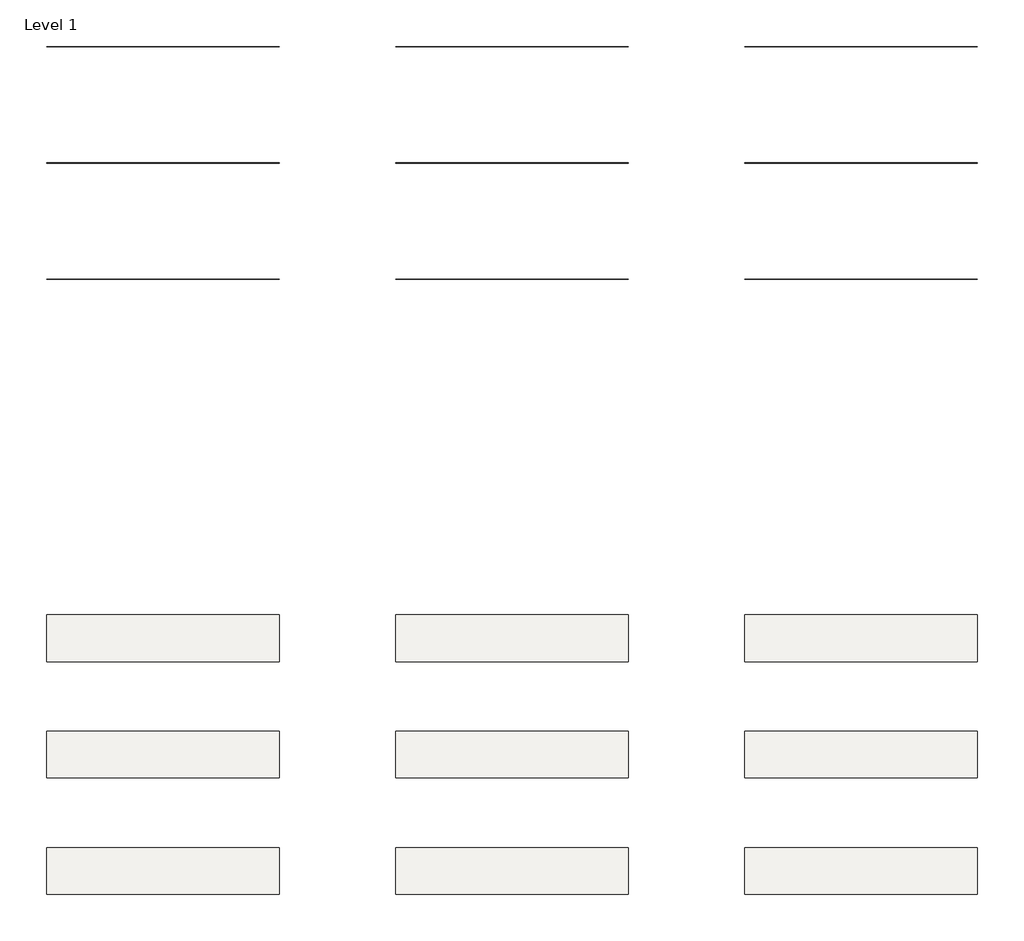
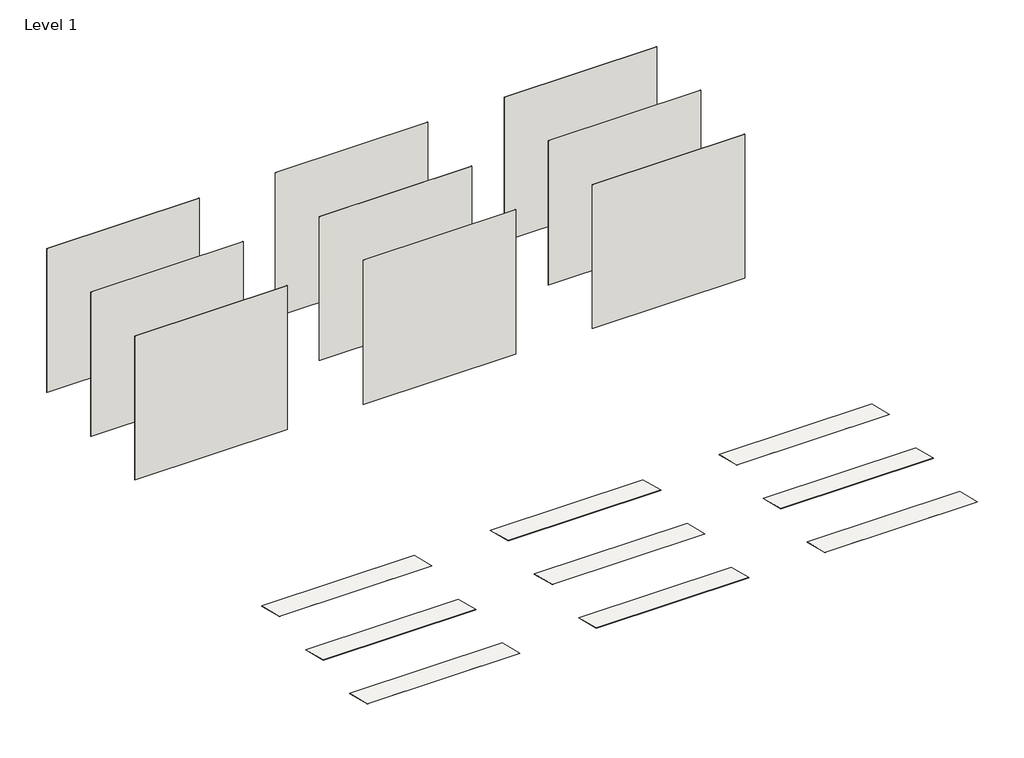
# One storey: 9 roofs, 9 walls.
"""IFC4 building model written with IfcOpenShell, lengths in millimetres."""

from ifc_helpers import new_model, si_unit, frame, origin, origin_with_axes, place, context, project, spatial, polyline, outline, extrude, element, save

model = new_model("IFC4")

# Units and contexts
model_context = context("Model", 3, world=origin())
ifc_project = project(units=[si_unit("LENGTHUNIT", "METRE", prefix="MILLI")], contexts=[model_context])

# Site, building, storey
site = spatial("IfcSite", under=ifc_project)
building = spatial("IfcBuilding", under=site)
storey = spatial("IfcBuildingStorey", under=building, Name="Level 1", Elevation=0.0)

# Roofs
placement = place(None, origin())
element("IfcRoof", 1, at=placement, inside=storey, context=model_context, shape_type="SweptSolid", body=[
    extrude(outline(polyline([(-4536.9218625, 155.6727151), (-3927.3218625, 3.2727151), (-3927.3218625, 0.0), (-4536.9218625, 152.4), (-4536.9218625, 155.6727151)])), frame((-1152.6695128, 0.0, 0.0), z_axis=(1.0, 0.0, 0.0), x_axis=(0.0, 1.0, 0.0)), (0.0, 0.0, 1.0), 3048.0),
])
element("IfcRoof", 2, at=placement, inside=storey, context=model_context, shape_type="SweptSolid", body=[
    extrude(outline(polyline([(-6060.9218625, 155.6727151), (-5451.3218625, 3.2727151), (-5451.3218625, 0.0), (-6060.9218625, 152.4), (-6060.9218625, 155.6727151)])), frame((-1152.6695128, 0.0, 0.0), z_axis=(1.0, 0.0, 0.0), x_axis=(0.0, 1.0, 0.0)), (0.0, 0.0, 1.0), 3048.0),
])
element("IfcRoof", 3, at=placement, inside=storey, context=model_context, shape_type="SweptSolid", body=[
    extrude(outline(polyline([(-7584.9218625, 155.6727151), (-6975.3218625, 3.2727151), (-6975.3218625, 0.0), (-7584.9218625, 152.4), (-7584.9218625, 155.6727151)])), frame((-1152.6695128, 0.0, 0.0), z_axis=(1.0, 0.0, 0.0), x_axis=(0.0, 1.0, 0.0)), (0.0, 0.0, 1.0), 3048.0),
])
element("IfcRoof", 4, at=placement, inside=storey, context=model_context, shape_type="SweptSolid", body=[
    extrude(outline(polyline([(-4536.9218625, 155.6727151), (-3927.3218625, 3.2727151), (-3927.3218625, 0.0), (-4536.9218625, 152.4), (-4536.9218625, 155.6727151)])), frame((3419.3304872, 0.0, 0.0), z_axis=(1.0, 0.0, 0.0), x_axis=(0.0, 1.0, 0.0)), (0.0, 0.0, 1.0), 3048.0),
])
element("IfcRoof", 5, at=placement, inside=storey, context=model_context, shape_type="SweptSolid", body=[
    extrude(outline(polyline([(-6060.9218625, 155.6727151), (-5451.3218625, 3.2727151), (-5451.3218625, 0.0), (-6060.9218625, 152.4), (-6060.9218625, 155.6727151)])), frame((3419.3304872, 0.0, 0.0), z_axis=(1.0, 0.0, 0.0), x_axis=(0.0, 1.0, 0.0)), (0.0, 0.0, 1.0), 3048.0),
])
element("IfcRoof", 6, at=placement, inside=storey, context=model_context, shape_type="SweptSolid", body=[
    extrude(outline(polyline([(-7584.9218625, 155.6727151), (-6975.3218625, 3.2727151), (-6975.3218625, 0.0), (-7584.9218625, 152.4), (-7584.9218625, 155.6727151)])), frame((3419.3304872, 0.0, 0.0), z_axis=(1.0, 0.0, 0.0), x_axis=(0.0, 1.0, 0.0)), (0.0, 0.0, 1.0), 3048.0),
])
element("IfcRoof", 7, at=placement, inside=storey, context=model_context, shape_type="SweptSolid", body=[
    extrude(outline(polyline([(-4536.9218625, 155.6727151), (-3927.3218625, 3.2727151), (-3927.3218625, 0.0), (-4536.9218625, 152.4), (-4536.9218625, 155.6727151)])), frame((7991.3304872, 0.0, 0.0), z_axis=(1.0, 0.0, 0.0), x_axis=(0.0, 1.0, 0.0)), (0.0, 0.0, 1.0), 3048.0),
])
element("IfcRoof", 8, at=placement, inside=storey, context=model_context, shape_type="SweptSolid", body=[
    extrude(outline(polyline([(-6060.9218625, 155.6727151), (-5451.3218625, 3.2727151), (-5451.3218625, 0.0), (-6060.9218625, 152.4), (-6060.9218625, 155.6727151)])), frame((7991.3304872, 0.0, 0.0), z_axis=(1.0, 0.0, 0.0), x_axis=(0.0, 1.0, 0.0)), (0.0, 0.0, 1.0), 3048.0),
])
element("IfcRoof", 9, at=placement, inside=storey, context=model_context, shape_type="SweptSolid", body=[
    extrude(outline(polyline([(-7584.9218625, 155.6727151), (-6975.3218625, 3.2727151), (-6975.3218625, 0.0), (-7584.9218625, 152.4), (-7584.9218625, 155.6727151)])), frame((7991.3304872, 0.0, 0.0), z_axis=(1.0, 0.0, 0.0), x_axis=(0.0, 1.0, 0.0)), (0.0, 0.0, 1.0), 3048.0),
])

# Walls
element("IfcWall", 10, at=placement, inside=storey, context=model_context, shape_type="SweptSolid", body=[
    extrude(outline(polyline([(1895.3304872, 3515.7622136), (-1152.6695128, 3515.7622136), (-1152.6695128, 3517.3497136), (1895.3304872, 3517.3497136), (1895.3304872, 3515.7622136)])), origin_with_axes(), (0.0, 0.0, 1.0), 3048.0),
])
element("IfcWall", 11, at=placement, inside=storey, context=model_context, shape_type="SweptSolid", body=[
    extrude(outline(polyline([(1895.3304872, 1991.7622136), (-1152.6695128, 1991.7622136), (-1152.6695128, 1993.3497136), (1895.3304872, 1993.3497136), (1895.3304872, 1991.7622136)])), origin_with_axes(), (0.0, 0.0, 1.0), 3048.0),
])
element("IfcWall", 12, at=placement, inside=storey, context=model_context, shape_type="SweptSolid", body=[
    extrude(outline(polyline([(1895.3304872, 467.7622136), (-1152.6695128, 467.7622136), (-1152.6695128, 469.3497136), (1895.3304872, 469.3497136), (1895.3304872, 467.7622136)])), origin_with_axes(), (0.0, 0.0, 1.0), 3048.0),
])
element("IfcWall", 13, at=placement, inside=storey, context=model_context, shape_type="SweptSolid", body=[
    extrude(outline(polyline([(6467.3304872, 3515.7622136), (3419.3304872, 3515.7622136), (3419.3304872, 3517.3497136), (6467.3304872, 3517.3497136), (6467.3304872, 3515.7622136)])), origin_with_axes(), (0.0, 0.0, 1.0), 3048.0),
])
element("IfcWall", 14, at=placement, inside=storey, context=model_context, shape_type="SweptSolid", body=[
    extrude(outline(polyline([(6467.3304872, 1991.7622136), (3419.3304872, 1991.7622136), (3419.3304872, 1993.3497136), (6467.3304872, 1993.3497136), (6467.3304872, 1991.7622136)])), origin_with_axes(), (0.0, 0.0, 1.0), 3048.0),
])
element("IfcWall", 15, at=placement, inside=storey, context=model_context, shape_type="SweptSolid", body=[
    extrude(outline(polyline([(6467.3304872, 467.7622136), (3419.3304872, 467.7622136), (3419.3304872, 469.3497136), (6467.3304872, 469.3497136), (6467.3304872, 467.7622136)])), origin_with_axes(), (0.0, 0.0, 1.0), 3048.0),
])
element("IfcWall", 16, at=placement, inside=storey, context=model_context, shape_type="SweptSolid", body=[
    extrude(outline(polyline([(11039.3304872, 3515.7622136), (7991.3304872, 3515.7622136), (7991.3304872, 3517.3497136), (11039.3304872, 3517.3497136), (11039.3304872, 3515.7622136)])), origin_with_axes(), (0.0, 0.0, 1.0), 3048.0),
])
element("IfcWall", 17, at=placement, inside=storey, context=model_context, shape_type="SweptSolid", body=[
    extrude(outline(polyline([(11039.3304872, 1991.7622136), (7991.3304872, 1991.7622136), (7991.3304872, 1993.3497136), (11039.3304872, 1993.3497136), (11039.3304872, 1991.7622136)])), origin_with_axes(), (0.0, 0.0, 1.0), 3048.0),
])
element("IfcWall", 18, at=placement, inside=storey, context=model_context, shape_type="SweptSolid", body=[
    extrude(outline(polyline([(11039.3304872, 467.7622136), (7991.3304872, 467.7622136), (7991.3304872, 469.3497136), (11039.3304872, 469.3497136), (11039.3304872, 467.7622136)])), origin_with_axes(), (0.0, 0.0, 1.0), 3048.0),
])

save(model, "model.ifc")
